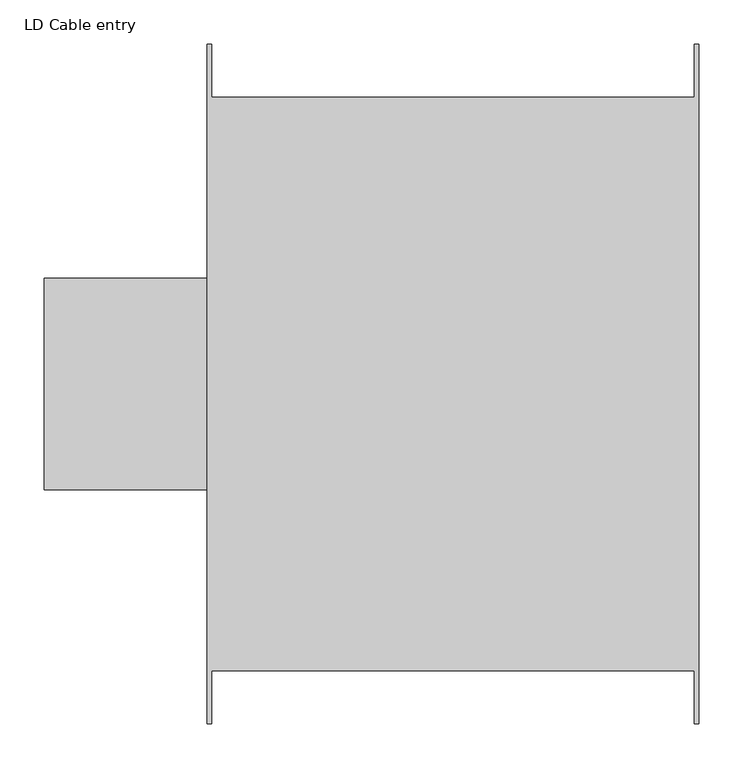
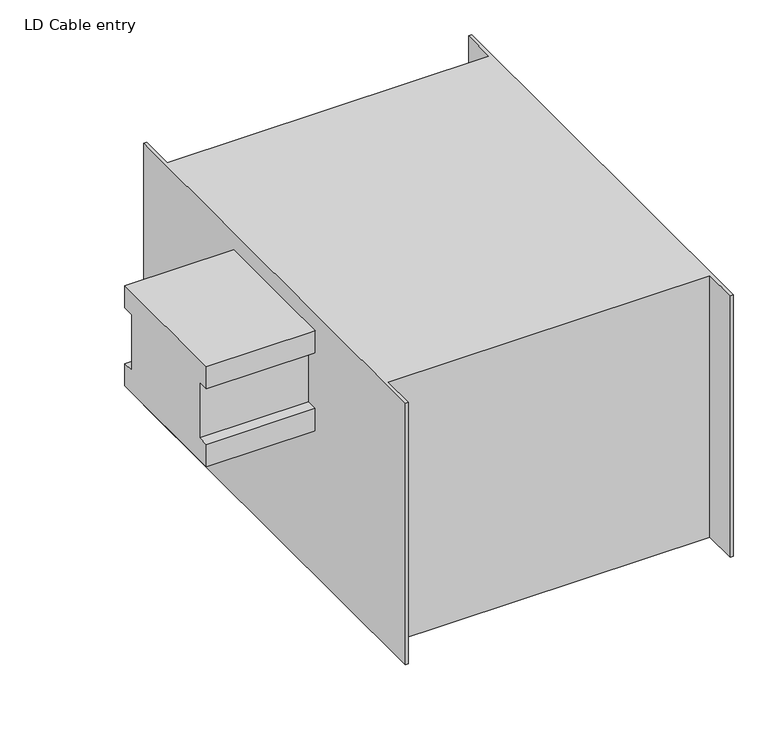
"""IFC4 building model written with IfcOpenShell, lengths in millimetres: proxy geometry, LD Cable entry."""

from ifc_helpers import new_model, si_unit, frame, origin, place, context, project, spatial, polyline, outline, extrude, source, transform, mapped, element, save


def ld_cable_entry_2d21af01(model_context):
    return source(origin(), model_context, "Body", "SweptSolid", [
        extrude(outline(polyline([(532.7872426, 70.0), (442.7872426, 120.0), (532.7872426, 170.0), (532.7872426, 70.0)])), frame((0.0, 0.0, -265.0), z_axis=(0.0, 0.0, 1.0), x_axis=(1.0, 0.0, 0.0)), (0.0, 0.0, 1.0), 10.0),
        extrude(outline(polyline([(742.0, 505.0), (742.0, -265.0), (737.0, -265.0), (737.0, -205.0), (190.0, -205.0), (190.0, -265.0), (185.0, -265.0), (185.0, 505.0), (190.0, 505.0), (190.0, 445.0), (737.0, 445.0), (737.0, 505.0), (742.0, 505.0)])), frame((0.0, 0.0, -260.0), z_axis=(0.0, 0.0, 1.0), x_axis=(1.0, 0.0, 0.0)), (0.0, 0.0, 1.0), 470.0),
        extrude(outline(polyline([(240.0, 180.0), (240.0, 140.0), (220.0, 140.0), (220.0, 40.0), (240.0, 40.0), (240.0, 0.0), (0.0, 0.0), (0.0, 40.0), (20.0, 40.0), (20.0, 140.0), (0.0, 140.0), (0.0, 180.0), (240.0, 180.0)])), frame((0.0, 0.0, 0.0), z_axis=(1.0, 0.0, 0.0), x_axis=(0.0, 1.0, 0.0)), (0.0, 0.0, 1.0), 185.0),
    ])


if __name__ == "__main__":
    model = new_model("IFC4")
    model_context = context("Model", 3, world=origin())
    ifc_project = project(units=[si_unit("LENGTHUNIT", "METRE", prefix="MILLI")], contexts=[model_context])
    site = spatial("IfcSite", under=ifc_project)
    building = spatial("IfcBuilding", under=site)
    placement = place(None, origin())
    ld_cable_entry_shape = ld_cable_entry_2d21af01(model_context)
    element("IfcBuildingElementProxy", 1, Name="LD Cable entry", ObjectType="LD Cable entry", at=placement, inside=building, context=model_context, shape_type="MappedRepresentation", body=[
        mapped(ld_cable_entry_shape, transform((0.0, 0.0, 0.0), x_axis=(1.0, 0.0, 0.0), y_axis=(0.0, 1.0, 0.0), z_axis=(0.0, 0.0, 1.0))),
    ])
    save(model, "model.ifc")
